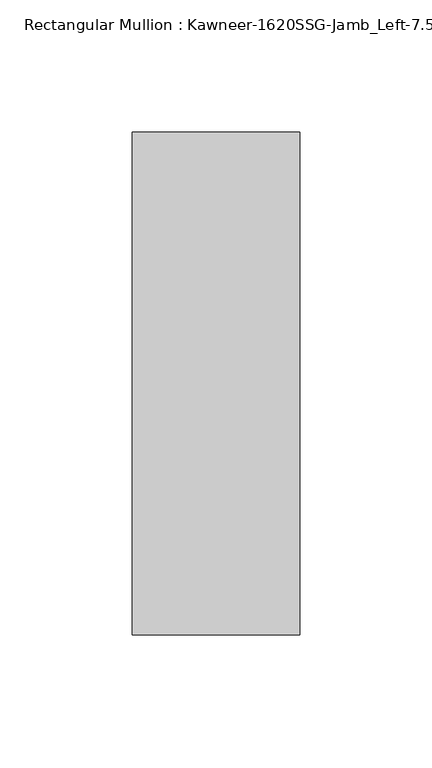
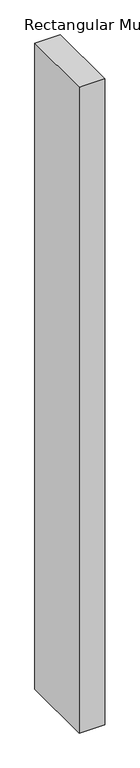
"""IFC4 building model written with IfcOpenShell, lengths in millimetres: member geometry."""

from ifc_helpers import new_model, si_unit, frame, origin, place, context, project, spatial, polyline, outline, extrude, source, transform, mapped, element, save


def member_ff372251(model_context):
    return source(origin(), model_context, "Body", "SweptSolid", [
        extrude(outline(polyline([(22.225, -28.575), (-41.275, -28.575), (-41.275, 161.925), (22.225, 161.925), (22.225, -28.575)])), frame((0.0, 0.0, -1695.45), z_axis=(0.0, 0.0, 1.0), x_axis=(1.0, 0.0, 0.0)), (0.0, 0.0, 1.0), 1695.45),
    ])


if __name__ == "__main__":
    model = new_model("IFC4")
    model_context = context("Model", 3, world=origin())
    ifc_project = project(units=[si_unit("LENGTHUNIT", "METRE", prefix="MILLI")], contexts=[model_context])
    site = spatial("IfcSite", under=ifc_project)
    building = spatial("IfcBuilding", under=site)
    placement = place(None, origin())
    member_shape = member_ff372251(model_context)
    element("IfcMember", 1, ObjectType="Rectangular Mullion : Kawneer-1620SSG-Jamb_Left-7.5\"-1/4\"Infill", at=placement, inside=building, context=model_context, shape_type="MappedRepresentation", body=[
        mapped(member_shape, transform((0.0, 0.0, 0.0), x_axis=(1.0, 0.0, 0.0), y_axis=(0.0, 1.0, 0.0), z_axis=(0.0, 0.0, 1.0))),
    ])
    save(model, "model.ifc")
